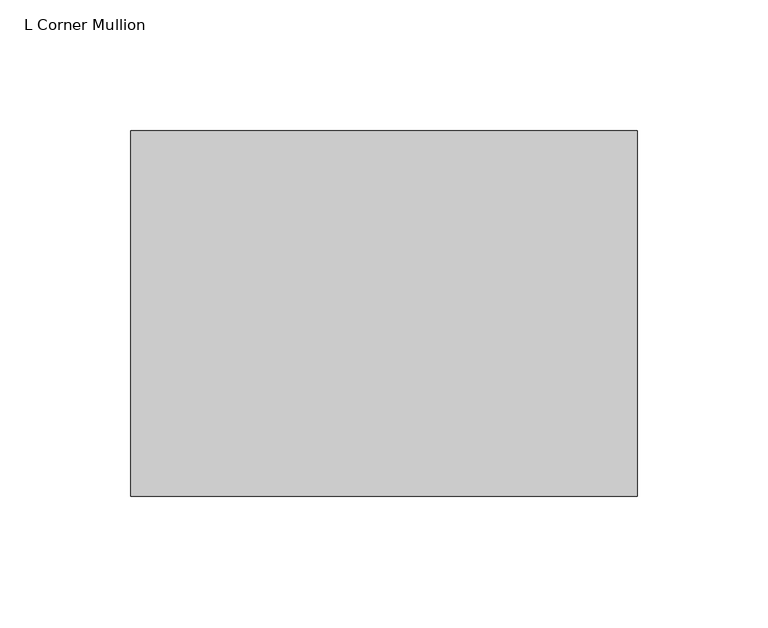
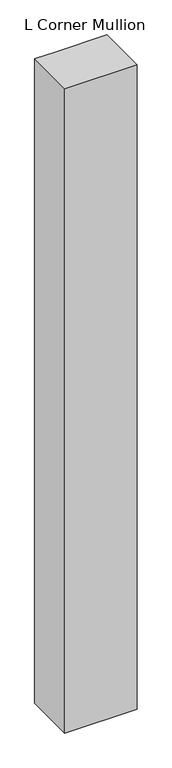
"""IFC4 building model written with IfcOpenShell, lengths in millimetres: member geometry, L Corner Mullion."""

from ifc_helpers import new_model, si_unit, frame, origin, place, context, project, spatial, polyline, outline, extrude, source, transform, mapped, element, save


def l_corner_mullion_ce8d673a(model_context):
    return source(origin(), model_context, "Body", "SweptSolid", [
        extrude(outline(polyline([(38.1, 101.6), (38.1, -38.1), (-155.575, -38.1), (-155.575, 101.6), (-101.6, 101.6), (38.1, 101.6)])), frame((0.0, 0.0, -1828.8), z_axis=(0.0, 0.0, 1.0), x_axis=(1.0, 0.0, 0.0)), (0.0, 0.0, 1.0), 1828.8),
    ])


if __name__ == "__main__":
    model = new_model("IFC4")
    model_context = context("Model", 3, world=origin())
    ifc_project = project(units=[si_unit("LENGTHUNIT", "METRE", prefix="MILLI")], contexts=[model_context])
    site = spatial("IfcSite", under=ifc_project)
    building = spatial("IfcBuilding", under=site)
    placement = place(None, origin())
    l_corner_mullion_shape = l_corner_mullion_ce8d673a(model_context)
    element("IfcMember", 1, ObjectType="L Corner Mullion", at=placement, inside=building, context=model_context, shape_type="MappedRepresentation", body=[
        mapped(l_corner_mullion_shape, transform((0.0, 0.0, 0.0), x_axis=(1.0, 0.0, 0.0), y_axis=(0.0, 1.0, 0.0), z_axis=(0.0, 0.0, 1.0))),
    ])
    save(model, "model.ifc")
